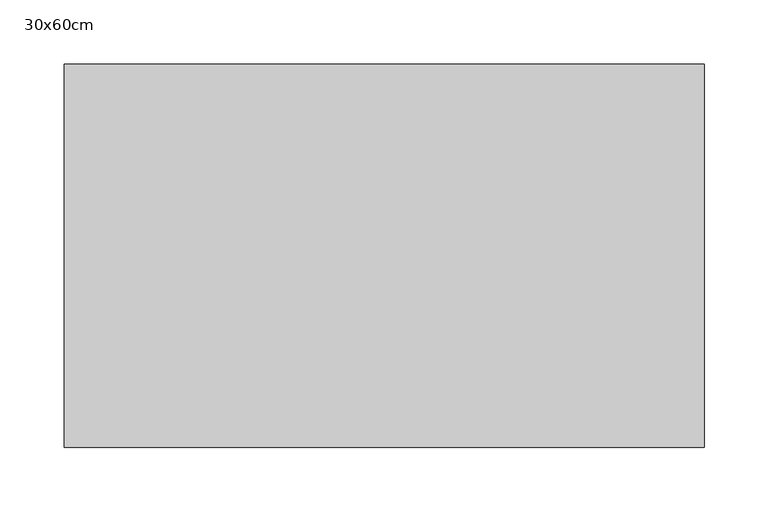
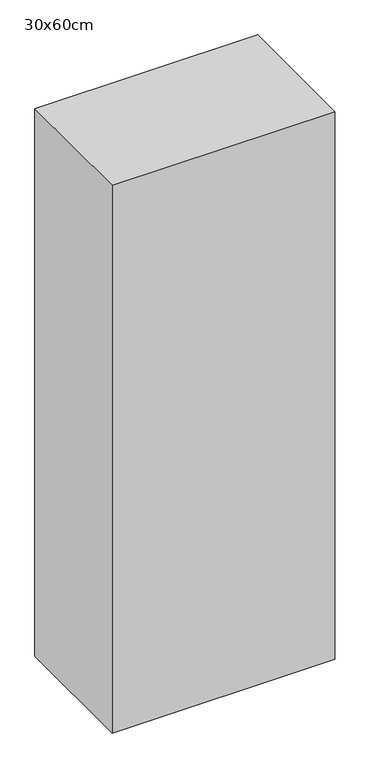
"""IFC4 building model written with IfcOpenShell, lengths in millimetres: proxy geometry, 30x60cm."""

from ifc_helpers import new_model, si_unit, frame, origin, place, context, project, spatial, polyline, outline, extrude, source, transform, mapped, element, save


def proxy_30x60cm_7820bb58(model_context):
    return source(origin(), model_context, "Body", "SweptSolid", [
        extrude(outline(polyline([(500.0, 300.0), (500.0, 0.0), (0.0, 0.0), (0.0, 300.0), (500.0, 300.0)])), frame((0.0, 0.0, 1300.0), z_axis=(0.0, 0.0, 1.0), x_axis=(1.0, 0.0, 0.0)), (0.0, 0.0, 1.0), 1300.0),
    ])


if __name__ == "__main__":
    model = new_model("IFC4")
    model_context = context("Model", 3, world=origin())
    ifc_project = project(units=[si_unit("LENGTHUNIT", "METRE", prefix="MILLI")], contexts=[model_context])
    site = spatial("IfcSite", under=ifc_project)
    building = spatial("IfcBuilding", under=site)
    placement = place(None, origin())
    proxy_30x60cm_shape = proxy_30x60cm_7820bb58(model_context)
    element("IfcBuildingElementProxy", 1, Name="30x60cm", ObjectType="30x60cm", at=placement, inside=building, context=model_context, shape_type="MappedRepresentation", body=[
        mapped(proxy_30x60cm_shape, transform((0.0, 0.0, 0.0), x_axis=(1.0, 0.0, 0.0), y_axis=(0.0, 1.0, 0.0), z_axis=(0.0, 0.0, 1.0))),
    ])
    save(model, "model.ifc")
